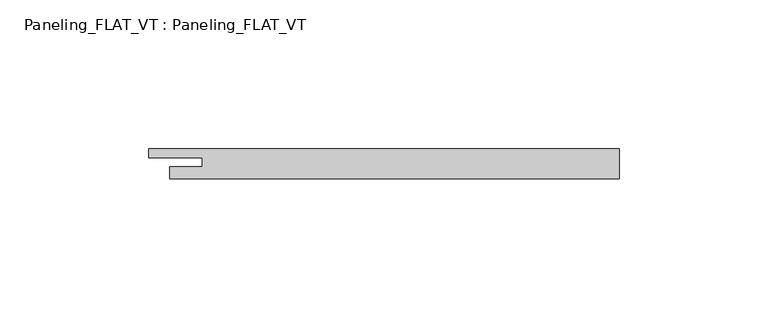
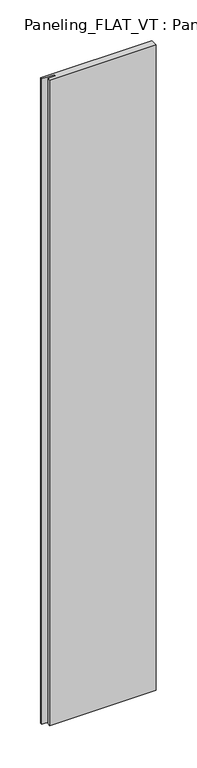
"""IFC4 building model written with IfcOpenShell, lengths in millimetres: plate geometry, Paneling_FLAT_VT : Paneling_FLAT_VT."""

from ifc_helpers import new_model, si_unit, origin, origin_with_axes, place, context, project, spatial, polyline, outline, extrude, source, transform, mapped, element, save


def paneling_flat_vt_paneling_flat_vt_19d59e64(model_context):
    return source(origin(), model_context, "Body", "SweptSolid", [
        extrude(outline(polyline([(75.5, -5.0), (-75.5, -5.0), (-75.5, -1.0), (-64.5, -1.0), (-64.5, 2.0), (-82.5, 2.0), (-82.5, 5.0), (75.5, 5.0), (75.5, -5.0)])), origin_with_axes(), (0.0, 0.0, 1.0), 966.8),
    ])


if __name__ == "__main__":
    model = new_model("IFC4")
    model_context = context("Model", 3, world=origin())
    ifc_project = project(units=[si_unit("LENGTHUNIT", "METRE", prefix="MILLI")], contexts=[model_context])
    site = spatial("IfcSite", under=ifc_project)
    building = spatial("IfcBuilding", under=site)
    placement = place(None, origin())
    paneling_flat_vt_paneling_flat_vt_shape = paneling_flat_vt_paneling_flat_vt_19d59e64(model_context)
    element("IfcPlate", 1, ObjectType="Paneling_FLAT_VT : Paneling_FLAT_VT", at=placement, inside=building, context=model_context, shape_type="MappedRepresentation", body=[
        mapped(paneling_flat_vt_paneling_flat_vt_shape, transform((0.0, 0.0, 0.0), x_axis=(1.0, 0.0, 0.0), y_axis=(0.0, 1.0, 0.0), z_axis=(0.0, 0.0, 1.0))),
    ])
    save(model, "model.ifc")
